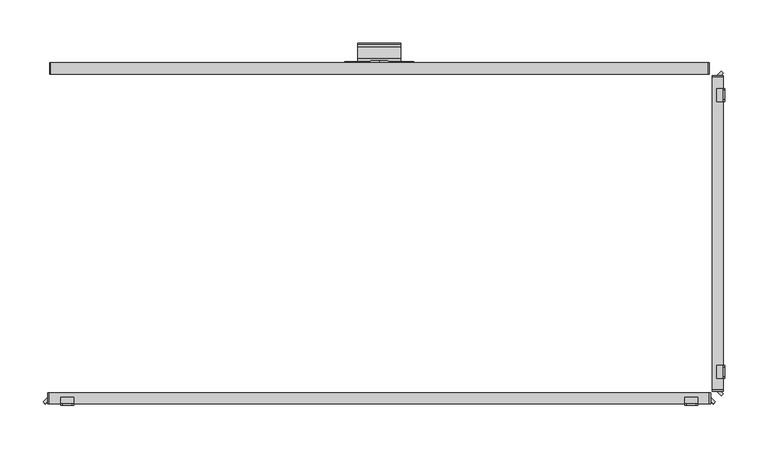
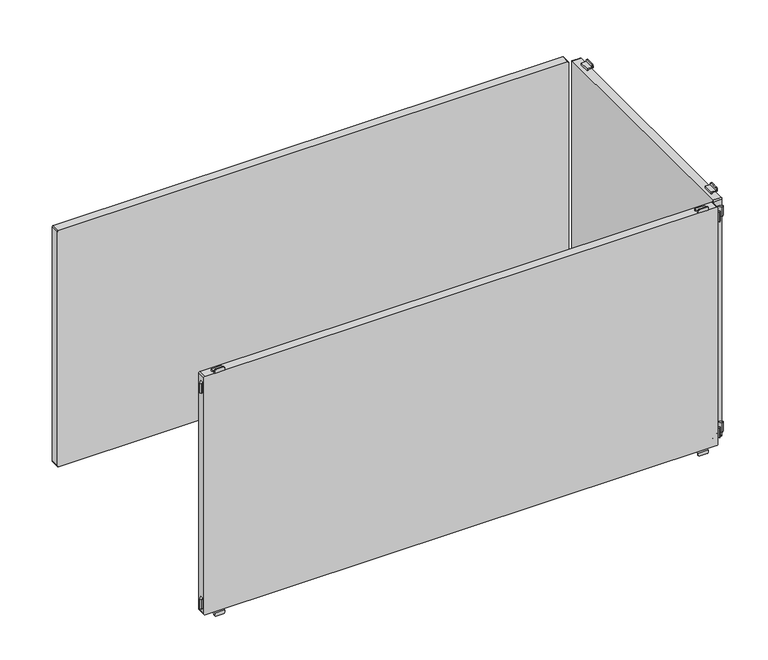
"""IFC4 building model written with IfcOpenShell, lengths in millimetres: furniture geometry."""

from ifc_helpers import new_model, si_unit, point, frame, frame_2d, origin, place, context, project, spatial, polyline, circle_curve, trimmed, segment, composite_curve, outline, extrude, source, transform, mapped, element, save
from ifc_brep_helpers import plane_surface, cylinder_surface, revolved_surface, advanced_brep


def furniture_853dda05(model_context):
    return source(origin(), model_context, "Body", "SolidModel", [
        extrude(outline(composite_curve([segment(trimmed(circle_curve(frame_2d((202.226909, 86.4886922)), 43.9399623), [point((202.226909, 130.4286545))], [point((215.0082179, 128.5286545))], False, "CARTESIAN"), True, "CONTINUOUS"), segment(trimmed(circle_curve(frame_2d((212.0259096, 118.7193203)), 10.252668), [point((215.0082179, 128.5286545))], [point((218.0910053, 126.9856263))], False, "CARTESIAN"), True, "CONTINUOUS"), segment(trimmed(circle_curve(frame_2d((215.7726745, 123.8259018)), 3.9189943), [point((218.0910053, 126.9856263))], [point((213.1407662, 120.9221843))], False, "CARTESIAN"), True, "CONTINUOUS"), segment(trimmed(circle_curve(frame_2d((202.2269079, 108.8812021)), 16.2510786), [point((213.1407662, 120.9221843))], [point((202.2269079, 125.1322806))], True, "CARTESIAN"), True, "CONTINUOUS"), segment(polyline([(202.2269079, 125.1322806), (198.5, 125.1322806), (198.5, 127.0322806), (202.2269079, 127.0322806)]), True, "CONTINUOUS"), segment(trimmed(circle_curve(frame_2d((202.2269079, 108.8812021)), 18.1510786), [point((202.2269079, 127.0322806))], [point((214.4167634, 122.3299595))], False, "CARTESIAN"), True, "CONTINUOUS"), segment(trimmed(circle_curve(frame_2d((215.7726745, 123.8259018)), 2.0189943), [point((214.4167634, 122.3299595))], [point((216.9670362, 125.4537341))], True, "CARTESIAN"), True, "CONTINUOUS"), segment(trimmed(circle_curve(frame_2d((212.0259096, 118.7193203)), 8.352668), [point((216.9670362, 125.4537341))], [point((214.4555436, 126.710812))], True, "CARTESIAN"), True, "CONTINUOUS"), segment(trimmed(circle_curve(frame_2d((202.226909, 86.4886922)), 42.0399623), [point((214.4555436, 126.710812))], [point((202.226909, 128.5286545))], True, "CARTESIAN"), True, "CONTINUOUS"), segment(polyline([(202.226909, 128.5286545), (198.5, 128.5286545), (198.5, 130.4286545), (202.226909, 130.4286545)]), True, "CONTINUOUS")], self_intersect=False)), frame((-25.0, 0.0, 0.0), z_axis=(1.0, 0.0, 0.0), x_axis=(0.0, 1.0, 0.0)), (0.0, 0.0, 1.0), 50.0),
        advanced_brep(
        [(0.0, 199.7, 156.6837841), (0.0, 199.7, 146.740973), (0.0, 199.7, 166.6265951), (0.0, 197.0, 144.8059292), (0.0, 197.0, 156.6837841), (0.0, 197.0, 168.5616389)],
        [
            (0, 1),
            (1, 2, circle_curve(frame((0.0, 199.7, 156.6837841), z_axis=(0.0, 1.0, 0.0), x_axis=(0.0, 0.0, 1.0)), 9.9428111)),
            (2, 0),
            (2, 1, circle_curve(frame((0.0, 199.7, 156.6837841), z_axis=(0.0, 1.0, 0.0), x_axis=(0.0, 0.0, 1.0)), 9.9428111)),
            (3, 4),
            (4, 5),
            (5, 3, circle_curve(frame((0.0, 197.0, 156.6837841), z_axis=(0.0, -1.0, 0.0), x_axis=(0.0, 0.0, 1.0)), 11.8778548)),
            (3, 5, circle_curve(frame((0.0, 197.0, 156.6837841), z_axis=(0.0, -1.0, 0.0), x_axis=(0.0, 0.0, 1.0)), 11.8778548)),
            (1, 3),
            (5, 2),
        ],
        [
            plane_surface(frame((0.0, 199.7, 156.6837841), z_axis=(0.0, 1.0, 0.0), x_axis=(0.0, 0.0, 1.0))),
            plane_surface(frame((0.0, 197.0, 156.6837841), z_axis=(0.0, -1.0, 0.0), x_axis=(0.0, 0.0, 1.0))),
            revolved_surface(polyline([(0.0, 197.0, 168.5616389), (0.0, 199.7, 166.6265951)]), (0.0, 202.2563621, 156.6837841), (0.0, 1.0, 0.0)),
        ],
        [
            (0, [[1, 2, 3]]),
            (0, [[-3, 4, -1]]),
            (1, [[5, 6, 7]]),
            (1, [[-6, -5, 8]]),
            (2, [[9, -7, 10, -2]]),
            (2, [[-10, -8, -9, -4]]),
        ],
    ),
        advanced_brep(
        [(38.2, 198.5, 135.0), (40.0, 198.5, 133.2), (40.0, 198.5, 122.0), (-40.0, 198.5, 122.0), (-40.0, 198.5, 133.2), (-38.2, 198.5, 135.0), (38.2, 197.0, 135.0), (-38.2, 197.0, 135.0), (-40.0, 197.0, 133.2), (-40.0, 197.0, 121.5), (40.0, 197.0, 121.5), (40.0, 197.0, 133.2), (-40.0, 196.5, 120.0), (-40.0, 184.0, 120.0), (-40.0, 184.0, 121.5), (40.0, 184.0, 121.5), (40.0, 184.0, 120.0), (40.0, 196.5, 120.0)],
        [
            (0, 1, circle_curve(frame((38.2, 198.5, 133.2), z_axis=(0.0, 1.0, 0.0), x_axis=(1.0, 0.0, 0.0)), 1.8)),
            (1, 2),
            (2, 3),
            (3, 4),
            (4, 5, circle_curve(frame((-38.2, 198.5, 133.2), z_axis=(0.0, 1.0, 0.0), x_axis=(1.0, 0.0, 0.0)), 1.8)),
            (5, 0),
            (6, 7),
            (7, 8, circle_curve(frame((-38.2, 197.0, 133.2), z_axis=(0.0, -1.0, 0.0), x_axis=(1.0, 0.0, 0.0)), 1.8)),
            (8, 9),
            (9, 10),
            (10, 11),
            (11, 6, circle_curve(frame((38.2, 197.0, 133.2), z_axis=(0.0, -1.0, 0.0), x_axis=(1.0, 0.0, 0.0)), 1.8)),
            (5, 7),
            (6, 0),
            (4, 8),
            (3, 12, circle_curve(frame((-40.0, 196.5, 122.0), z_axis=(-1.0, 0.0, 0.0), x_axis=(0.0, -1.0, 0.0)), 2.0)),
            (12, 13),
            (13, 14),
            (14, 9),
            (1, 11),
            (10, 15),
            (15, 16),
            (16, 17),
            (17, 2, circle_curve(frame((40.0, 196.5, 122.0), z_axis=(1.0, 0.0, 0.0), x_axis=(0.0, -1.0, 0.0)), 2.0)),
            (16, 13),
            (12, 17),
            (15, 14),
        ],
        [
            plane_surface(frame((-40.0, 198.5, 135.0), z_axis=(0.0, 1.0, 0.0), x_axis=(-1.0, 0.0, 0.0))),
            plane_surface(frame((-40.0, 197.0, 135.0), z_axis=(0.0, -1.0, 0.0), x_axis=(1.0, 0.0, 0.0))),
            plane_surface(frame((38.2, 198.5, 135.0), z_axis=(0.0, 0.0, 1.0), x_axis=(0.0, -1.0, 0.0))),
            cylinder_surface(frame((-38.2, 197.0, 133.2), z_axis=(0.0, 1.0, 0.0), x_axis=(1.0, 0.0, 0.0)), 1.8),
            plane_surface(frame((-40.0, 198.5, 133.2), z_axis=(-1.0, 0.0, 0.0), x_axis=(0.0, -1.0, 0.0))),
            plane_surface(frame((40.0, 198.5, 124.5), z_axis=(1.0, 0.0, 0.0), x_axis=(0.0, -1.0, 0.0))),
            cylinder_surface(frame((38.2, 197.0, 133.2), z_axis=(0.0, 1.0, 0.0), x_axis=(1.0, 0.0, 0.0)), 1.8),
            plane_surface(frame((40.0, 196.5, 120.0), z_axis=(0.0, 0.0, -1.0), x_axis=(-1.0, 0.0, 0.0))),
            plane_surface(frame((40.0, 184.0, 120.0), z_axis=(0.0, -1.0, 0.0), x_axis=(-1.0, 0.0, 0.0))),
            plane_surface(frame((40.0, 184.0, 121.5), z_axis=(0.0, 0.0, 1.0), x_axis=(-1.0, 0.0, 0.0))),
            cylinder_surface(frame((-40.0, 196.5, 122.0), z_axis=(1.0, 0.0, 0.0), x_axis=(0.0, -1.0, 0.0)), 2.0),
        ],
        [
            (0, [[1, 2, 3, 4, 5, 6]]),
            (1, [[7, 8, 9, 10, 11, 12]]),
            (2, [[13, -7, 14, -6]]),
            (3, [[15, -8, -13, -5]]),
            (4, [[16, 17, 18, 19, -9, -15, -4]]),
            (5, [[20, -11, 21, 22, 23, 24, -2]]),
            (6, [[-14, -12, -20, -1]]),
            (7, [[25, -17, 26, -23]]),
            (8, [[27, -18, -25, -22]]),
            (9, [[-10, -19, -27, -21]]),
            (10, [[-26, -16, -3, -24]]),
        ],
    ),
        extrude(outline(composite_curve([segment(polyline([(493.5, 379.0), (493.5, -379.0)]), True, "CONTINUOUS"), segment(trimmed(circle_curve(frame_2d((492.0, -379.0)), 1.5), [point((493.5, -379.0))], [point((492.0, -380.5))], False, "CARTESIAN"), True, "CONTINUOUS"), segment(polyline([(492.0, -380.5), (123.0, -380.5)]), True, "CONTINUOUS"), segment(trimmed(circle_curve(frame_2d((123.0, -379.0)), 1.5), [point((123.0, -380.5))], [point((121.5, -379.0))], False, "CARTESIAN"), True, "CONTINUOUS"), segment(polyline([(121.5, -379.0), (121.5, 379.0)]), True, "CONTINUOUS"), segment(trimmed(circle_curve(frame_2d((123.0, 379.0)), 1.5), [point((121.5, 379.0))], [point((123.0, 380.5))], False, "CARTESIAN"), True, "CONTINUOUS"), segment(polyline([(123.0, 380.5), (492.0, 380.5)]), True, "CONTINUOUS"), segment(trimmed(circle_curve(frame_2d((492.0, 379.0)), 1.5), [point((492.0, 380.5))], [point((493.5, 379.0))], False, "CARTESIAN"), True, "CONTINUOUS")], self_intersect=False)), frame((0.0, 184.0, 0.0), z_axis=(0.0, 1.0, 0.0), x_axis=(0.0, 0.0, 1.0)), (0.0, 0.0, 1.0), 13.0),
        advanced_brep(
        [(352.5, -197.0, 115.5), (352.5, -197.0, 117.0), (367.5, -197.0, 117.0), (367.5, -197.0, 115.5), (365.5, -197.0, 113.5), (354.5, -197.0, 113.5), (352.5, -198.5, 118.5), (352.5, -198.5, 115.5), (354.5, -198.5, 113.5), (365.5, -198.5, 113.5), (367.5, -198.5, 115.5), (367.5, -198.5, 118.5), (352.5, -191.0011497, 118.5), (352.5, -191.0011497, 120.0), (352.5, -189.5011497, 120.0), (352.5, -189.5011497, 117.0), (367.5, -189.5011497, 117.0), (367.5, -189.5011497, 120.0), (367.5, -191.0011497, 120.0), (367.5, -191.0011497, 118.5)],
        [
            (0, 1),
            (1, 2),
            (2, 3),
            (3, 4, circle_curve(frame((365.5, -197.0, 115.5), z_axis=(0.0, 1.0, 0.0), x_axis=(1.0, 0.0, 0.0)), 2.0)),
            (4, 5),
            (5, 0, circle_curve(frame((354.5, -197.0, 115.5), z_axis=(0.0, 1.0, 0.0), x_axis=(1.0, 0.0, 0.0)), 2.0)),
            (6, 7),
            (7, 8, circle_curve(frame((354.5, -198.5, 115.5), z_axis=(0.0, -1.0, 0.0), x_axis=(1.0, 0.0, 0.0)), 2.0)),
            (8, 9),
            (9, 10, circle_curve(frame((365.5, -198.5, 115.5), z_axis=(0.0, -1.0, 0.0), x_axis=(1.0, 0.0, 0.0)), 2.0)),
            (10, 11),
            (11, 6),
            (6, 12),
            (12, 13),
            (13, 14),
            (14, 15),
            (15, 1),
            (0, 7),
            (5, 8),
            (4, 9),
            (3, 10),
            (2, 16),
            (16, 17),
            (17, 18),
            (18, 19),
            (19, 11),
            (19, 12),
            (14, 17),
            (16, 15),
            (13, 18),
        ],
        [
            plane_surface(frame((352.5, -197.0, 117.0), z_axis=(0.0, 1.0, 0.0), x_axis=(0.0, 0.0, -1.0))),
            plane_surface(frame((352.5, -198.5, 117.0), z_axis=(0.0, -1.0, 0.0), x_axis=(0.0, 0.0, 1.0))),
            plane_surface(frame((352.5, -197.0, 118.5), z_axis=(-1.0, 0.0, 0.0), x_axis=(0.0, -1.0, 0.0))),
            cylinder_surface(frame((354.5, -198.5, 115.5), z_axis=(0.0, 1.0, 0.0), x_axis=(1.0, 0.0, 0.0)), 2.0),
            plane_surface(frame((354.5, -197.0, 113.5), z_axis=(0.0, 0.0, -1.0), x_axis=(0.0, -1.0, 0.0))),
            cylinder_surface(frame((365.5, -198.5, 115.5), z_axis=(0.0, 1.0, 0.0), x_axis=(1.0, 0.0, 0.0)), 2.0),
            plane_surface(frame((367.5, -197.0, 115.5), z_axis=(1.0, 0.0, 0.0), x_axis=(0.0, -1.0, 0.0))),
            plane_surface(frame((367.5, -197.0, 118.5), z_axis=(0.0, 0.0, 1.0), x_axis=(0.0, -1.0, 0.0))),
            plane_surface(frame((352.5, -189.5011497, 117.0), z_axis=(0.0, 1.0, 0.0), x_axis=(1.0, 0.0, 0.0))),
            plane_surface(frame((352.5, -189.5011497, 120.0), z_axis=(0.0, 0.0, 1.0), x_axis=(1.0, 0.0, 0.0))),
            plane_surface(frame((352.5, -191.0011497, 120.0), z_axis=(0.0, -1.0, 0.0), x_axis=(1.0, 0.0, 0.0))),
            plane_surface(frame((352.5, -197.0, 117.0), z_axis=(0.0, 0.0, -1.0), x_axis=(1.0, 0.0, 0.0))),
        ],
        [
            (0, [[1, 2, 3, 4, 5, 6]]),
            (1, [[7, 8, 9, 10, 11, 12]]),
            (2, [[13, 14, 15, 16, 17, -1, 18, -7]]),
            (3, [[19, -8, -18, -6]]),
            (4, [[20, -9, -19, -5]]),
            (5, [[21, -10, -20, -4]]),
            (6, [[-21, -3, 22, 23, 24, 25, 26, -11]]),
            (7, [[27, -13, -12, -26]]),
            (8, [[28, -23, 29, -16]]),
            (9, [[30, -24, -28, -15]]),
            (10, [[-27, -25, -30, -14]]),
            (11, [[-29, -22, -2, -17]]),
        ],
    ),
        advanced_brep(
        [(-367.5, -197.0, 115.5), (-367.5, -197.0, 117.0), (-352.5, -197.0, 117.0), (-352.5, -197.0, 115.5), (-354.5, -197.0, 113.5), (-365.5, -197.0, 113.5), (-352.5, -198.5, 118.5), (-367.5, -198.5, 118.5), (-367.5, -198.5, 115.5), (-365.5, -198.5, 113.5), (-354.5, -198.5, 113.5), (-352.5, -198.5, 115.5), (-352.5, -191.0011497, 118.5), (-367.5, -191.0011497, 118.5), (-367.5, -191.0011497, 120.0), (-367.5, -189.5011497, 120.0), (-367.5, -189.5011497, 117.0), (-352.5, -189.5011497, 117.0), (-352.5, -189.5011497, 120.0), (-352.5, -191.0011497, 120.0)],
        [
            (0, 1),
            (1, 2),
            (2, 3),
            (3, 4, circle_curve(frame((-354.5, -197.0, 115.5), z_axis=(0.0, 1.0, 0.0), x_axis=(1.0, 0.0, 0.0)), 2.0)),
            (4, 5),
            (5, 0, circle_curve(frame((-365.5, -197.0, 115.5), z_axis=(0.0, 1.0, 0.0), x_axis=(1.0, 0.0, 0.0)), 2.0)),
            (6, 7),
            (7, 8),
            (8, 9, circle_curve(frame((-365.5, -198.5, 115.5), z_axis=(0.0, -1.0, 0.0), x_axis=(1.0, 0.0, 0.0)), 2.0)),
            (9, 10),
            (10, 11, circle_curve(frame((-354.5, -198.5, 115.5), z_axis=(0.0, -1.0, 0.0), x_axis=(1.0, 0.0, 0.0)), 2.0)),
            (11, 6),
            (6, 12),
            (12, 13),
            (13, 7),
            (13, 14),
            (14, 15),
            (15, 16),
            (16, 1),
            (0, 8),
            (5, 9),
            (4, 10),
            (3, 11),
            (2, 17),
            (17, 18),
            (18, 19),
            (19, 12),
            (17, 16),
            (15, 18),
            (14, 19),
        ],
        [
            plane_surface(frame((352.5, -197.0, 117.0), z_axis=(0.0, 1.0, 0.0), x_axis=(0.0, 0.0, -1.0))),
            plane_surface(frame((352.5, -198.5, 117.0), z_axis=(0.0, -1.0, 0.0), x_axis=(0.0, 0.0, 1.0))),
            plane_surface(frame((-352.5, -197.0, 118.5), z_axis=(0.0, 0.0, 1.0), x_axis=(0.0, -1.0, 0.0))),
            plane_surface(frame((-367.5, -197.0, 118.5), z_axis=(-1.0, 0.0, 0.0), x_axis=(0.0, -1.0, 0.0))),
            cylinder_surface(frame((-365.5, -200.0, 115.5), z_axis=(0.0, 1.0, 0.0), x_axis=(1.0, 0.0, 0.0)), 2.0),
            plane_surface(frame((-365.5, -197.0, 113.5), z_axis=(0.0, 0.0, -1.0), x_axis=(0.0, -1.0, 0.0))),
            cylinder_surface(frame((-354.5, -200.0, 115.5), z_axis=(0.0, 1.0, 0.0), x_axis=(1.0, 0.0, 0.0)), 2.0),
            plane_surface(frame((-352.5, -197.0, 115.5), z_axis=(1.0, 0.0, 0.0), x_axis=(0.0, -1.0, 0.0))),
            plane_surface(frame((-352.5, -189.5011497, 120.0), z_axis=(0.0, 1.0, 0.0), x_axis=(-1.0, 0.0, 0.0))),
            plane_surface(frame((-352.5, -191.0011497, 120.0), z_axis=(0.0, 0.0, 1.0), x_axis=(-1.0, 0.0, 0.0))),
            plane_surface(frame((-352.5, -191.0011497, 118.5), z_axis=(0.0, -1.0, 0.0), x_axis=(-1.0, 0.0, 0.0))),
            plane_surface(frame((-352.5, -189.5011497, 117.0), z_axis=(0.0, 0.0, -1.0), x_axis=(-1.0, 0.0, 0.0))),
        ],
        [
            (0, [[1, 2, 3, 4, 5, 6]]),
            (1, [[7, 8, 9, 10, 11, 12]]),
            (2, [[13, 14, 15, -7]]),
            (3, [[-15, 16, 17, 18, 19, -1, 20, -8]]),
            (4, [[21, -9, -20, -6]]),
            (5, [[22, -10, -21, -5]]),
            (6, [[23, -11, -22, -4]]),
            (7, [[-23, -3, 24, 25, 26, 27, -13, -12]]),
            (8, [[28, -18, 29, -25]]),
            (9, [[-29, -17, 30, -26]]),
            (10, [[-30, -16, -14, -27]]),
            (11, [[-2, -19, -28, -24]]),
        ],
    ),
        advanced_brep(
        [(367.5, -197.0, 499.5), (367.5, -197.0, 498.0), (352.5, -197.0, 498.0), (352.5, -197.0, 499.5), (354.5, -197.0, 501.5), (365.5, -197.0, 501.5), (352.5, -198.5, 496.5), (367.5, -198.5, 496.5), (367.5, -198.5, 499.5), (365.5, -198.5, 501.5), (354.5, -198.5, 501.5), (352.5, -198.5, 499.5), (352.5, -189.5011497, 498.0), (352.5, -189.5011497, 495.0), (352.5, -191.0011497, 495.0), (352.5, -191.0011497, 496.5), (367.5, -189.5011497, 498.0), (367.5, -191.0011497, 496.5), (367.5, -191.0011497, 495.0), (367.5, -189.5011497, 495.0)],
        [
            (0, 1),
            (1, 2),
            (2, 3),
            (3, 4, circle_curve(frame((354.5, -197.0, 499.5), z_axis=(0.0, 1.0, 0.0), x_axis=(1.0, 0.0, 0.0)), 2.0)),
            (4, 5),
            (5, 0, circle_curve(frame((365.5, -197.0, 499.5), z_axis=(0.0, 1.0, 0.0), x_axis=(1.0, 0.0, 0.0)), 2.0)),
            (6, 7),
            (7, 8),
            (8, 9, circle_curve(frame((365.5, -198.5, 499.5), z_axis=(0.0, -1.0, 0.0), x_axis=(1.0, 0.0, 0.0)), 2.0)),
            (9, 10),
            (10, 11, circle_curve(frame((354.5, -198.5, 499.5), z_axis=(0.0, -1.0, 0.0), x_axis=(1.0, 0.0, 0.0)), 2.0)),
            (11, 6),
            (12, 13),
            (13, 14),
            (14, 15),
            (15, 6),
            (11, 3),
            (2, 12),
            (16, 1),
            (0, 8),
            (7, 17),
            (17, 18),
            (18, 19),
            (19, 16),
            (15, 17),
            (5, 9),
            (4, 10),
            (16, 12),
            (14, 18),
            (13, 19),
        ],
        [
            plane_surface(frame((352.5, -197.0, 117.0), z_axis=(0.0, 1.0, 0.0), x_axis=(0.0, 0.0, -1.0))),
            plane_surface(frame((352.5, -198.5, 117.0), z_axis=(0.0, -1.0, 0.0), x_axis=(0.0, 0.0, 1.0))),
            plane_surface(frame((352.5, -197.0, 118.5), z_axis=(-1.0, 0.0, 0.0), x_axis=(0.0, -1.0, 0.0))),
            plane_surface(frame((367.5, -197.0, 115.5), z_axis=(1.0, 0.0, 0.0), x_axis=(0.0, -1.0, 0.0))),
            plane_surface(frame((352.5, -197.0, 496.5), z_axis=(0.0, 0.0, -1.0), x_axis=(0.0, -1.0, 0.0))),
            cylinder_surface(frame((365.5, -200.0, 499.5), z_axis=(0.0, 1.0, 0.0), x_axis=(1.0, 0.0, 0.0)), 2.0),
            plane_surface(frame((365.5, -197.0, 501.5), z_axis=(0.0, 0.0, 1.0), x_axis=(0.0, -1.0, 0.0))),
            cylinder_surface(frame((354.5, -200.0, 499.5), z_axis=(0.0, 1.0, 0.0), x_axis=(1.0, 0.0, 0.0)), 2.0),
            plane_surface(frame((352.5, -189.5011497, 498.0), z_axis=(0.0, 0.0, 1.0), x_axis=(1.0, 0.0, 0.0))),
            plane_surface(frame((352.5, -191.0011497, 496.5), z_axis=(0.0, -1.0, 0.0), x_axis=(1.0, 0.0, 0.0))),
            plane_surface(frame((352.5, -191.0011497, 495.0), z_axis=(0.0, 0.0, -1.0), x_axis=(1.0, 0.0, 0.0))),
            plane_surface(frame((352.5, -189.5011497, 495.0), z_axis=(0.0, 1.0, 0.0), x_axis=(1.0, 0.0, 0.0))),
        ],
        [
            (0, [[1, 2, 3, 4, 5, 6]]),
            (1, [[7, 8, 9, 10, 11, 12]]),
            (2, [[13, 14, 15, 16, -12, 17, -3, 18]]),
            (3, [[19, -1, 20, -8, 21, 22, 23, 24]]),
            (4, [[25, -21, -7, -16]]),
            (5, [[26, -9, -20, -6]]),
            (6, [[27, -10, -26, -5]]),
            (7, [[-17, -11, -27, -4]]),
            (8, [[-2, -19, 28, -18]]),
            (9, [[29, -22, -25, -15]]),
            (10, [[30, -23, -29, -14]]),
            (11, [[-28, -24, -30, -13]]),
        ],
    ),
        advanced_brep(
        [(-352.5, -197.0, 499.5), (-352.5, -197.0, 498.0), (-367.5, -197.0, 498.0), (-367.5, -197.0, 499.5), (-365.5, -197.0, 501.5), (-354.5, -197.0, 501.5), (-352.5, -198.5, 496.5), (-352.5, -198.5, 499.5), (-354.5, -198.5, 501.5), (-365.5, -198.5, 501.5), (-367.5, -198.5, 499.5), (-367.5, -198.5, 496.5), (-367.5, -189.5011497, 498.0), (-367.5, -189.5011497, 495.0), (-367.5, -191.0011497, 495.0), (-367.5, -191.0011497, 496.5), (-352.5, -191.0011497, 496.5), (-352.5, -191.0011497, 495.0), (-352.5, -189.5011497, 495.0), (-352.5, -189.5011497, 498.0)],
        [
            (0, 1),
            (1, 2),
            (2, 3),
            (3, 4, circle_curve(frame((-365.5, -197.0, 499.5), z_axis=(0.0, 1.0, 0.0), x_axis=(1.0, 0.0, 0.0)), 2.0)),
            (4, 5),
            (5, 0, circle_curve(frame((-354.5, -197.0, 499.5), z_axis=(0.0, 1.0, 0.0), x_axis=(1.0, 0.0, 0.0)), 2.0)),
            (6, 7),
            (7, 8, circle_curve(frame((-354.5, -198.5, 499.5), z_axis=(0.0, -1.0, 0.0), x_axis=(1.0, 0.0, 0.0)), 2.0)),
            (8, 9),
            (9, 10, circle_curve(frame((-365.5, -198.5, 499.5), z_axis=(0.0, -1.0, 0.0), x_axis=(1.0, 0.0, 0.0)), 2.0)),
            (10, 11),
            (11, 6),
            (10, 3),
            (2, 12),
            (12, 13),
            (13, 14),
            (14, 15),
            (15, 11),
            (6, 16),
            (16, 17),
            (17, 18),
            (18, 19),
            (19, 1),
            (0, 7),
            (5, 8),
            (4, 9),
            (15, 16),
            (19, 12),
            (14, 17),
            (13, 18),
        ],
        [
            plane_surface(frame((352.5, -197.0, 117.0), z_axis=(0.0, 1.0, 0.0), x_axis=(0.0, 0.0, -1.0))),
            plane_surface(frame((352.5, -198.5, 117.0), z_axis=(0.0, -1.0, 0.0), x_axis=(0.0, 0.0, 1.0))),
            plane_surface(frame((-367.5, -197.0, 118.5), z_axis=(-1.0, 0.0, 0.0), x_axis=(0.0, -1.0, 0.0))),
            plane_surface(frame((-352.5, -197.0, 115.5), z_axis=(1.0, 0.0, 0.0), x_axis=(0.0, -1.0, 0.0))),
            cylinder_surface(frame((-354.5, -200.0, 499.5), z_axis=(0.0, 1.0, 0.0), x_axis=(1.0, 0.0, 0.0)), 2.0),
            plane_surface(frame((-354.5, -197.0, 501.5), z_axis=(0.0, 0.0, 1.0), x_axis=(0.0, -1.0, 0.0))),
            cylinder_surface(frame((-365.5, -200.0, 499.5), z_axis=(0.0, 1.0, 0.0), x_axis=(1.0, 0.0, 0.0)), 2.0),
            plane_surface(frame((-367.5, -197.0, 496.5), z_axis=(0.0, 0.0, -1.0), x_axis=(0.0, -1.0, 0.0))),
            plane_surface(frame((-352.5, -197.0, 498.0), z_axis=(0.0, 0.0, 1.0), x_axis=(-1.0, 0.0, 0.0))),
            plane_surface(frame((-352.5, -191.0011497, 495.0), z_axis=(0.0, -1.0, 0.0), x_axis=(-1.0, 0.0, 0.0))),
            plane_surface(frame((-352.5, -189.5011497, 495.0), z_axis=(0.0, 0.0, -1.0), x_axis=(-1.0, 0.0, 0.0))),
            plane_surface(frame((-352.5, -189.5011497, 498.0), z_axis=(0.0, 1.0, 0.0), x_axis=(-1.0, 0.0, 0.0))),
        ],
        [
            (0, [[1, 2, 3, 4, 5, 6]]),
            (1, [[7, 8, 9, 10, 11, 12]]),
            (2, [[13, -3, 14, 15, 16, 17, 18, -11]]),
            (3, [[19, 20, 21, 22, 23, -1, 24, -7]]),
            (4, [[25, -8, -24, -6]]),
            (5, [[26, -9, -25, -5]]),
            (6, [[-13, -10, -26, -4]]),
            (7, [[-18, 27, -19, -12]]),
            (8, [[28, -14, -2, -23]]),
            (9, [[-27, -17, 29, -20]]),
            (10, [[-29, -16, 30, -21]]),
            (11, [[-30, -15, -28, -22]]),
        ],
    ),
        extrude(outline(polyline([(-385.3223305, -197.0), (-387.6605904, -194.6617401), (-382.5, -189.5011497), (-382.5, -194.1776695), (-385.3223305, -197.0)])), frame((0.0, 0.0, 130.0), z_axis=(0.0, 0.0, 1.0), x_axis=(1.0, 0.0, 0.0)), (0.0, 0.0, 1.0), 15.0),
        extrude(outline(polyline([(385.3223305, -197.0), (382.5, -194.1776695), (382.5, -189.5011497), (387.6605904, -194.6617401), (385.3223305, -197.0)])), frame((0.0, 0.0, 130.0), z_axis=(0.0, 0.0, 1.0), x_axis=(1.0, 0.0, 0.0)), (0.0, 0.0, 1.0), 15.0),
        extrude(outline(composite_curve([segment(trimmed(circle_curve(frame_2d((493.2, 380.7)), 1.8), [point((493.2, 382.5))], [point((495.0, 380.7))], False, "CARTESIAN"), True, "CONTINUOUS"), segment(polyline([(495.0, 380.7), (495.0, -380.7)]), True, "CONTINUOUS"), segment(trimmed(circle_curve(frame_2d((493.2, -380.7)), 1.8), [point((495.0, -380.7))], [point((493.2, -382.5))], False, "CARTESIAN"), True, "CONTINUOUS"), segment(polyline([(493.2, -382.5), (121.8, -382.5)]), True, "CONTINUOUS"), segment(trimmed(circle_curve(frame_2d((121.8, -380.7)), 1.8), [point((121.8, -382.5))], [point((120.0, -380.7))], False, "CARTESIAN"), True, "CONTINUOUS"), segment(polyline([(120.0, -380.7), (120.0, 380.7)]), True, "CONTINUOUS"), segment(trimmed(circle_curve(frame_2d((121.8, 380.7)), 1.8), [point((120.0, 380.7))], [point((121.8, 382.5))], False, "CARTESIAN"), True, "CONTINUOUS"), segment(polyline([(121.8, 382.5), (493.2, 382.5)]), True, "CONTINUOUS")], self_intersect=False)), frame((0.0, -197.0, 0.0), z_axis=(0.0, 1.0, 0.0), x_axis=(0.0, 0.0, 1.0)), (0.0, 0.0, 1.0), 13.000205),
        extrude(outline(polyline([(-385.3223305, -197.0), (-387.6605904, -194.6617401), (-382.5, -189.5011497), (-382.5, -194.1776695), (-385.3223305, -197.0)])), frame((0.0, 0.0, 470.0), z_axis=(0.0, 0.0, 1.0), x_axis=(1.0, 0.0, 0.0)), (0.0, 0.0, 1.0), 15.0),
        extrude(outline(polyline([(385.3223305, -197.0), (382.5, -194.1776695), (382.5, -189.5011497), (387.6605904, -194.6617401), (385.3223305, -197.0)])), frame((0.0, 0.0, 470.0), z_axis=(0.0, 0.0, 1.0), x_axis=(1.0, 0.0, 0.0)), (0.0, 0.0, 1.0), 15.0),
        advanced_brep(
        [(397.0, -152.5, 115.5), (397.0, -154.5, 113.5), (397.0, -165.5, 113.5), (397.0, -167.5, 115.5), (397.0, -167.5, 117.0), (397.0, -152.5, 117.0), (398.5, -152.5, 118.5), (398.5, -167.5, 118.5), (398.5, -167.5, 115.5), (398.5, -165.5, 113.5), (398.5, -154.5, 113.5), (398.5, -152.5, 115.5), (389.5011497, -152.5, 117.0), (389.5011497, -152.5, 120.0), (391.0011497, -152.5, 120.0), (391.0011497, -152.5, 118.5), (391.0011497, -167.5, 118.5), (391.0011497, -167.5, 120.0), (389.5011497, -167.5, 120.0), (389.5011497, -167.5, 117.0)],
        [
            (0, 1, circle_curve(frame((397.0, -154.5, 115.5), z_axis=(-1.0, 0.0, 0.0), x_axis=(0.0, -1.0, 0.0)), 2.0)),
            (1, 2),
            (2, 3, circle_curve(frame((397.0, -165.5, 115.5), z_axis=(-1.0, 0.0, 0.0), x_axis=(0.0, -1.0, 0.0)), 2.0)),
            (3, 4),
            (4, 5),
            (5, 0),
            (6, 7),
            (7, 8),
            (8, 9, circle_curve(frame((398.5, -165.5, 115.5), z_axis=(1.0, 0.0, 0.0), x_axis=(0.0, -1.0, 0.0)), 2.0)),
            (9, 10),
            (10, 11, circle_curve(frame((398.5, -154.5, 115.5), z_axis=(1.0, 0.0, 0.0), x_axis=(0.0, -1.0, 0.0)), 2.0)),
            (11, 6),
            (11, 0),
            (5, 12),
            (12, 13),
            (13, 14),
            (14, 15),
            (15, 6),
            (10, 1),
            (9, 2),
            (8, 3),
            (7, 16),
            (16, 17),
            (17, 18),
            (18, 19),
            (19, 4),
            (15, 16),
            (12, 19),
            (18, 13),
            (17, 14),
        ],
        [
            plane_surface(frame((397.0, -152.5, 117.0), z_axis=(-1.0, 0.0, 0.0), x_axis=(0.0, 0.0, -1.0))),
            plane_surface(frame((398.5, -152.5, 117.0), z_axis=(1.0, 0.0, 0.0), x_axis=(0.0, 0.0, 1.0))),
            plane_surface(frame((397.0, -152.5, 118.5), z_axis=(0.0, 1.0, 0.0), x_axis=(1.0, 0.0, 0.0))),
            cylinder_surface(frame((398.5, -154.5, 115.5), z_axis=(-1.0, 0.0, 0.0), x_axis=(0.0, -1.0, 0.0)), 2.0),
            plane_surface(frame((397.0, -154.5, 113.5), z_axis=(0.0, 0.0, -1.0), x_axis=(1.0, 0.0, 0.0))),
            cylinder_surface(frame((398.5, -165.5, 115.5), z_axis=(-1.0, 0.0, 0.0), x_axis=(0.0, -1.0, 0.0)), 2.0),
            plane_surface(frame((397.0, -167.5, 115.5), z_axis=(0.0, -1.0, 0.0), x_axis=(1.0, 0.0, 0.0))),
            plane_surface(frame((397.0, -167.5, 118.5), z_axis=(0.0, 0.0, 1.0), x_axis=(1.0, 0.0, 0.0))),
            plane_surface(frame((389.5011497, -152.5, 117.0), z_axis=(-1.0, 0.0, 0.0), x_axis=(0.0, -1.0, 0.0))),
            plane_surface(frame((389.5011497, -152.5, 120.0), z_axis=(0.0, 0.0, 1.0), x_axis=(0.0, -1.0, 0.0))),
            plane_surface(frame((391.0011497, -152.5, 120.0), z_axis=(1.0, 0.0, 0.0), x_axis=(0.0, -1.0, 0.0))),
            plane_surface(frame((397.0, -152.5, 117.0), z_axis=(0.0, 0.0, -1.0), x_axis=(0.0, -1.0, 0.0))),
        ],
        [
            (0, [[1, 2, 3, 4, 5, 6]]),
            (1, [[7, 8, 9, 10, 11, 12]]),
            (2, [[-12, 13, -6, 14, 15, 16, 17, 18]]),
            (3, [[-1, -13, -11, 19]]),
            (4, [[-2, -19, -10, 20]]),
            (5, [[-3, -20, -9, 21]]),
            (6, [[-8, 22, 23, 24, 25, 26, -4, -21]]),
            (7, [[-22, -7, -18, 27]]),
            (8, [[-15, 28, -25, 29]]),
            (9, [[-16, -29, -24, 30]]),
            (10, [[-17, -30, -23, -27]]),
            (11, [[-14, -5, -26, -28]]),
        ],
    ),
        advanced_brep(
        [(397.0, 167.5, 115.5), (397.0, 165.5, 113.5), (397.0, 154.5, 113.5), (397.0, 152.5, 115.5), (397.0, 152.5, 117.0), (397.0, 167.5, 117.0), (398.5, 152.5, 118.5), (398.5, 152.5, 115.5), (398.5, 154.5, 113.5), (398.5, 165.5, 113.5), (398.5, 167.5, 115.5), (398.5, 167.5, 118.5), (391.0011497, 167.5, 118.5), (391.0011497, 152.5, 118.5), (389.5011497, 167.5, 117.0), (389.5011497, 167.5, 120.0), (391.0011497, 167.5, 120.0), (391.0011497, 152.5, 120.0), (389.5011497, 152.5, 120.0), (389.5011497, 152.5, 117.0)],
        [
            (0, 1, circle_curve(frame((397.0, 165.5, 115.5), z_axis=(-1.0, 0.0, 0.0), x_axis=(0.0, -1.0, 0.0)), 2.0)),
            (1, 2),
            (2, 3, circle_curve(frame((397.0, 154.5, 115.5), z_axis=(-1.0, 0.0, 0.0), x_axis=(0.0, -1.0, 0.0)), 2.0)),
            (3, 4),
            (4, 5),
            (5, 0),
            (6, 7),
            (7, 8, circle_curve(frame((398.5, 154.5, 115.5), z_axis=(1.0, 0.0, 0.0), x_axis=(0.0, -1.0, 0.0)), 2.0)),
            (8, 9),
            (9, 10, circle_curve(frame((398.5, 165.5, 115.5), z_axis=(1.0, 0.0, 0.0), x_axis=(0.0, -1.0, 0.0)), 2.0)),
            (10, 11),
            (11, 6),
            (11, 12),
            (12, 13),
            (13, 6),
            (10, 0),
            (5, 14),
            (14, 15),
            (15, 16),
            (16, 12),
            (9, 1),
            (8, 2),
            (7, 3),
            (13, 17),
            (17, 18),
            (18, 19),
            (19, 4),
            (18, 15),
            (14, 19),
            (17, 16),
        ],
        [
            plane_surface(frame((397.0, -152.5, 117.0), z_axis=(-1.0, 0.0, 0.0), x_axis=(0.0, 0.0, -1.0))),
            plane_surface(frame((398.5, -152.5, 117.0), z_axis=(1.0, 0.0, 0.0), x_axis=(0.0, 0.0, 1.0))),
            plane_surface(frame((397.0, 152.5, 118.5), z_axis=(0.0, 0.0, 1.0), x_axis=(1.0, 0.0, 0.0))),
            plane_surface(frame((397.0, 167.5, 118.5), z_axis=(0.0, 1.0, 0.0), x_axis=(1.0, 0.0, 0.0))),
            cylinder_surface(frame((400.0, 165.5, 115.5), z_axis=(-1.0, 0.0, 0.0), x_axis=(0.0, -1.0, 0.0)), 2.0),
            plane_surface(frame((397.0, 165.5, 113.5), z_axis=(0.0, 0.0, -1.0), x_axis=(1.0, 0.0, 0.0))),
            cylinder_surface(frame((400.0, 154.5, 115.5), z_axis=(-1.0, 0.0, 0.0), x_axis=(0.0, -1.0, 0.0)), 2.0),
            plane_surface(frame((397.0, 152.5, 115.5), z_axis=(0.0, -1.0, 0.0), x_axis=(1.0, 0.0, 0.0))),
            plane_surface(frame((389.5011497, 152.5, 120.0), z_axis=(-1.0, 0.0, 0.0), x_axis=(0.0, 1.0, 0.0))),
            plane_surface(frame((391.0011497, 152.5, 120.0), z_axis=(0.0, 0.0, 1.0), x_axis=(0.0, 1.0, 0.0))),
            plane_surface(frame((391.0011497, 152.5, 118.5), z_axis=(1.0, 0.0, 0.0), x_axis=(0.0, 1.0, 0.0))),
            plane_surface(frame((389.5011497, 152.5, 117.0), z_axis=(0.0, 0.0, -1.0), x_axis=(0.0, 1.0, 0.0))),
        ],
        [
            (0, [[1, 2, 3, 4, 5, 6]]),
            (1, [[7, 8, 9, 10, 11, 12]]),
            (2, [[-12, 13, 14, 15]]),
            (3, [[-11, 16, -6, 17, 18, 19, 20, -13]]),
            (4, [[-1, -16, -10, 21]]),
            (5, [[-2, -21, -9, 22]]),
            (6, [[-3, -22, -8, 23]]),
            (7, [[-7, -15, 24, 25, 26, 27, -4, -23]]),
            (8, [[-26, 28, -18, 29]]),
            (9, [[-25, 30, -19, -28]]),
            (10, [[-24, -14, -20, -30]]),
            (11, [[-27, -29, -17, -5]]),
        ],
    ),
        advanced_brep(
        [(397.0, -167.5, 499.5), (397.0, -165.5, 501.5), (397.0, -154.5, 501.5), (397.0, -152.5, 499.5), (397.0, -152.5, 498.0), (397.0, -167.5, 498.0), (398.5, -152.5, 496.5), (398.5, -152.5, 499.5), (398.5, -154.5, 501.5), (398.5, -165.5, 501.5), (398.5, -167.5, 499.5), (398.5, -167.5, 496.5), (389.5011497, -152.5, 498.0), (391.0011497, -152.5, 496.5), (391.0011497, -152.5, 495.0), (389.5011497, -152.5, 495.0), (389.5011497, -167.5, 498.0), (389.5011497, -167.5, 495.0), (391.0011497, -167.5, 495.0), (391.0011497, -167.5, 496.5)],
        [
            (0, 1, circle_curve(frame((397.0, -165.5, 499.5), z_axis=(-1.0, 0.0, 0.0), x_axis=(0.0, -1.0, 0.0)), 2.0)),
            (1, 2),
            (2, 3, circle_curve(frame((397.0, -154.5, 499.5), z_axis=(-1.0, 0.0, 0.0), x_axis=(0.0, -1.0, 0.0)), 2.0)),
            (3, 4),
            (4, 5),
            (5, 0),
            (6, 7),
            (7, 8, circle_curve(frame((398.5, -154.5, 499.5), z_axis=(1.0, 0.0, 0.0), x_axis=(0.0, -1.0, 0.0)), 2.0)),
            (8, 9),
            (9, 10, circle_curve(frame((398.5, -165.5, 499.5), z_axis=(1.0, 0.0, 0.0), x_axis=(0.0, -1.0, 0.0)), 2.0)),
            (10, 11),
            (11, 6),
            (12, 4),
            (3, 7),
            (6, 13),
            (13, 14),
            (14, 15),
            (15, 12),
            (16, 17),
            (17, 18),
            (18, 19),
            (19, 11),
            (10, 0),
            (5, 16),
            (19, 13),
            (9, 1),
            (8, 2),
            (12, 16),
            (18, 14),
            (17, 15),
        ],
        [
            plane_surface(frame((397.0, -152.5, 117.0), z_axis=(-1.0, 0.0, 0.0), x_axis=(0.0, 0.0, -1.0))),
            plane_surface(frame((398.5, -152.5, 117.0), z_axis=(1.0, 0.0, 0.0), x_axis=(0.0, 0.0, 1.0))),
            plane_surface(frame((397.0, -152.5, 118.5), z_axis=(0.0, 1.0, 0.0), x_axis=(1.0, 0.0, 0.0))),
            plane_surface(frame((397.0, -167.5, 115.5), z_axis=(0.0, -1.0, 0.0), x_axis=(1.0, 0.0, 0.0))),
            plane_surface(frame((397.0, -152.5, 496.5), z_axis=(0.0, 0.0, -1.0), x_axis=(1.0, 0.0, 0.0))),
            cylinder_surface(frame((400.0, -165.5, 499.5), z_axis=(-1.0, 0.0, 0.0), x_axis=(0.0, -1.0, 0.0)), 2.0),
            plane_surface(frame((397.0, -165.5, 501.5), z_axis=(0.0, 0.0, 1.0), x_axis=(1.0, 0.0, 0.0))),
            cylinder_surface(frame((400.0, -154.5, 499.5), z_axis=(-1.0, 0.0, 0.0), x_axis=(0.0, -1.0, 0.0)), 2.0),
            plane_surface(frame((389.5011497, -152.5, 498.0), z_axis=(0.0, 0.0, 1.0), x_axis=(0.0, -1.0, 0.0))),
            plane_surface(frame((391.0011497, -152.5, 496.5), z_axis=(1.0, 0.0, 0.0), x_axis=(0.0, -1.0, 0.0))),
            plane_surface(frame((391.0011497, -152.5, 495.0), z_axis=(0.0, 0.0, -1.0), x_axis=(0.0, -1.0, 0.0))),
            plane_surface(frame((389.5011497, -152.5, 495.0), z_axis=(-1.0, 0.0, 0.0), x_axis=(0.0, -1.0, 0.0))),
        ],
        [
            (0, [[1, 2, 3, 4, 5, 6]]),
            (1, [[7, 8, 9, 10, 11, 12]]),
            (2, [[13, -4, 14, -7, 15, 16, 17, 18]]),
            (3, [[19, 20, 21, 22, -11, 23, -6, 24]]),
            (4, [[-15, -12, -22, 25]]),
            (5, [[-1, -23, -10, 26]]),
            (6, [[-2, -26, -9, 27]]),
            (7, [[-3, -27, -8, -14]]),
            (8, [[-13, 28, -24, -5]]),
            (9, [[-16, -25, -21, 29]]),
            (10, [[-17, -29, -20, 30]]),
            (11, [[-18, -30, -19, -28]]),
        ],
    ),
        advanced_brep(
        [(397.0, 152.5, 499.5), (397.0, 154.5, 501.5), (397.0, 165.5, 501.5), (397.0, 167.5, 499.5), (397.0, 167.5, 498.0), (397.0, 152.5, 498.0), (398.5, 152.5, 496.5), (398.5, 167.5, 496.5), (398.5, 167.5, 499.5), (398.5, 165.5, 501.5), (398.5, 154.5, 501.5), (398.5, 152.5, 499.5), (391.0011497, 167.5, 496.5), (391.0011497, 167.5, 495.0), (389.5011497, 167.5, 495.0), (389.5011497, 167.5, 498.0), (389.5011497, 152.5, 498.0), (389.5011497, 152.5, 495.0), (391.0011497, 152.5, 495.0), (391.0011497, 152.5, 496.5)],
        [
            (0, 1, circle_curve(frame((397.0, 154.5, 499.5), z_axis=(-1.0, 0.0, 0.0), x_axis=(0.0, -1.0, 0.0)), 2.0)),
            (1, 2),
            (2, 3, circle_curve(frame((397.0, 165.5, 499.5), z_axis=(-1.0, 0.0, 0.0), x_axis=(0.0, -1.0, 0.0)), 2.0)),
            (3, 4),
            (4, 5),
            (5, 0),
            (6, 7),
            (7, 8),
            (8, 9, circle_curve(frame((398.5, 165.5, 499.5), z_axis=(1.0, 0.0, 0.0), x_axis=(0.0, -1.0, 0.0)), 2.0)),
            (9, 10),
            (10, 11, circle_curve(frame((398.5, 154.5, 499.5), z_axis=(1.0, 0.0, 0.0), x_axis=(0.0, -1.0, 0.0)), 2.0)),
            (11, 6),
            (7, 12),
            (12, 13),
            (13, 14),
            (14, 15),
            (15, 4),
            (3, 8),
            (11, 0),
            (5, 16),
            (16, 17),
            (17, 18),
            (18, 19),
            (19, 6),
            (10, 1),
            (9, 2),
            (19, 12),
            (15, 16),
            (18, 13),
            (17, 14),
        ],
        [
            plane_surface(frame((397.0, -152.5, 117.0), z_axis=(-1.0, 0.0, 0.0), x_axis=(0.0, 0.0, -1.0))),
            plane_surface(frame((398.5, -152.5, 117.0), z_axis=(1.0, 0.0, 0.0), x_axis=(0.0, 0.0, 1.0))),
            plane_surface(frame((397.0, 167.5, 118.5), z_axis=(0.0, 1.0, 0.0), x_axis=(1.0, 0.0, 0.0))),
            plane_surface(frame((397.0, 152.5, 115.5), z_axis=(0.0, -1.0, 0.0), x_axis=(1.0, 0.0, 0.0))),
            cylinder_surface(frame((400.0, 154.5, 499.5), z_axis=(-1.0, 0.0, 0.0), x_axis=(0.0, -1.0, 0.0)), 2.0),
            plane_surface(frame((397.0, 154.5, 501.5), z_axis=(0.0, 0.0, 1.0), x_axis=(1.0, 0.0, 0.0))),
            cylinder_surface(frame((400.0, 165.5, 499.5), z_axis=(-1.0, 0.0, 0.0), x_axis=(0.0, -1.0, 0.0)), 2.0),
            plane_surface(frame((397.0, 167.5, 496.5), z_axis=(0.0, 0.0, -1.0), x_axis=(1.0, 0.0, 0.0))),
            plane_surface(frame((397.0, 152.5, 498.0), z_axis=(0.0, 0.0, 1.0), x_axis=(0.0, 1.0, 0.0))),
            plane_surface(frame((391.0011497, 152.5, 495.0), z_axis=(1.0, 0.0, 0.0), x_axis=(0.0, 1.0, 0.0))),
            plane_surface(frame((389.5011497, 152.5, 495.0), z_axis=(0.0, 0.0, -1.0), x_axis=(0.0, 1.0, 0.0))),
            plane_surface(frame((389.5011497, 152.5, 498.0), z_axis=(-1.0, 0.0, 0.0), x_axis=(0.0, 1.0, 0.0))),
        ],
        [
            (0, [[1, 2, 3, 4, 5, 6]]),
            (1, [[7, 8, 9, 10, 11, 12]]),
            (2, [[-8, 13, 14, 15, 16, 17, -4, 18]]),
            (3, [[-12, 19, -6, 20, 21, 22, 23, 24]]),
            (4, [[-1, -19, -11, 25]]),
            (5, [[-2, -25, -10, 26]]),
            (6, [[-3, -26, -9, -18]]),
            (7, [[-7, -24, 27, -13]]),
            (8, [[-20, -5, -17, 28]]),
            (9, [[-23, 29, -14, -27]]),
            (10, [[-22, 30, -15, -29]]),
            (11, [[-21, -28, -16, -30]]),
        ],
    ),
        extrude(outline(polyline([(397.0, -185.3223305), (394.6617401, -187.6605904), (389.5011497, -182.5), (394.1776695, -182.5), (397.0, -185.3223305)])), frame((0.0, 0.0, 130.0), z_axis=(0.0, 0.0, 1.0), x_axis=(1.0, 0.0, 0.0)), (0.0, 0.0, 1.0), 15.0),
        extrude(outline(polyline([(397.0, 185.3223305), (394.1776695, 182.5), (389.5011497, 182.5), (394.6617401, 187.6605904), (397.0, 185.3223305)])), frame((0.0, 0.0, 130.0), z_axis=(0.0, 0.0, 1.0), x_axis=(1.0, 0.0, 0.0)), (0.0, 0.0, 1.0), 15.0),
        extrude(outline(composite_curve([segment(trimmed(circle_curve(frame_2d((-180.7, 493.2)), 1.8), [point((-182.5, 493.2))], [point((-180.7, 495.0))], False, "CARTESIAN"), True, "CONTINUOUS"), segment(polyline([(-180.7, 495.0), (180.7, 495.0)]), True, "CONTINUOUS"), segment(trimmed(circle_curve(frame_2d((180.7, 493.2)), 1.8), [point((180.7, 495.0))], [point((182.5, 493.2))], False, "CARTESIAN"), True, "CONTINUOUS"), segment(polyline([(182.5, 493.2), (182.5, 121.8)]), True, "CONTINUOUS"), segment(trimmed(circle_curve(frame_2d((180.7, 121.8)), 1.8), [point((182.5, 121.8))], [point((180.7, 120.0))], False, "CARTESIAN"), True, "CONTINUOUS"), segment(polyline([(180.7, 120.0), (-180.7, 120.0)]), True, "CONTINUOUS"), segment(trimmed(circle_curve(frame_2d((-180.7, 121.8)), 1.8), [point((-180.7, 120.0))], [point((-182.5, 121.8))], False, "CARTESIAN"), True, "CONTINUOUS"), segment(polyline([(-182.5, 121.8), (-182.5, 493.2)]), True, "CONTINUOUS")], self_intersect=False)), frame((383.999795, 0.0, 0.0), z_axis=(1.0, 0.0, 0.0), x_axis=(0.0, 1.0, 0.0)), (0.0, 0.0, 1.0), 13.000205),
        extrude(outline(polyline([(397.0, -185.3223305), (394.6617401, -187.6605904), (389.5011497, -182.5), (394.1776695, -182.5), (397.0, -185.3223305)])), frame((0.0, 0.0, 470.0), z_axis=(0.0, 0.0, 1.0), x_axis=(1.0, 0.0, 0.0)), (0.0, 0.0, 1.0), 15.0),
        extrude(outline(polyline([(397.0, 185.3223305), (394.1776695, 182.5), (389.5011497, 182.5), (394.6617401, 187.6605904), (397.0, 185.3223305)])), frame((0.0, 0.0, 470.0), z_axis=(0.0, 0.0, 1.0), x_axis=(1.0, 0.0, 0.0)), (0.0, 0.0, 1.0), 15.0),
    ])


if __name__ == "__main__":
    model = new_model("IFC4")
    model_context = context("Model", 3, world=origin())
    ifc_project = project(units=[si_unit("LENGTHUNIT", "METRE", prefix="MILLI")], contexts=[model_context])
    site = spatial("IfcSite", under=ifc_project)
    building = spatial("IfcBuilding", under=site)
    placement = place(None, origin())
    furniture_shape = furniture_853dda05(model_context)
    element("IfcFurniture", 1, at=placement, inside=building, context=model_context, shape_type="MappedRepresentation", body=[
        mapped(furniture_shape, transform((0.0, 0.0, 0.0), x_axis=(1.0, 0.0, 0.0), y_axis=(0.0, 1.0, 0.0), z_axis=(0.0, 0.0, 1.0))),
    ])
    save(model, "model.ifc")
